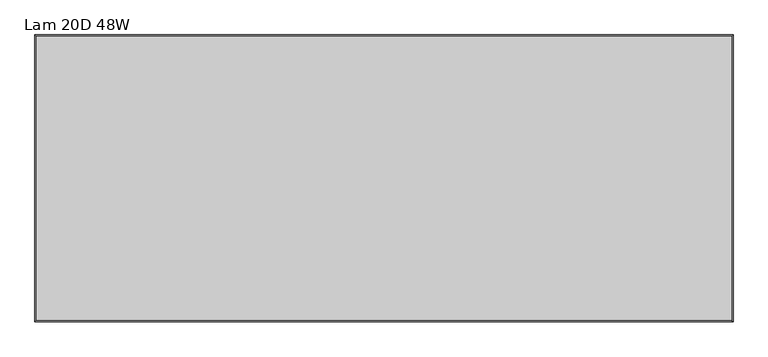
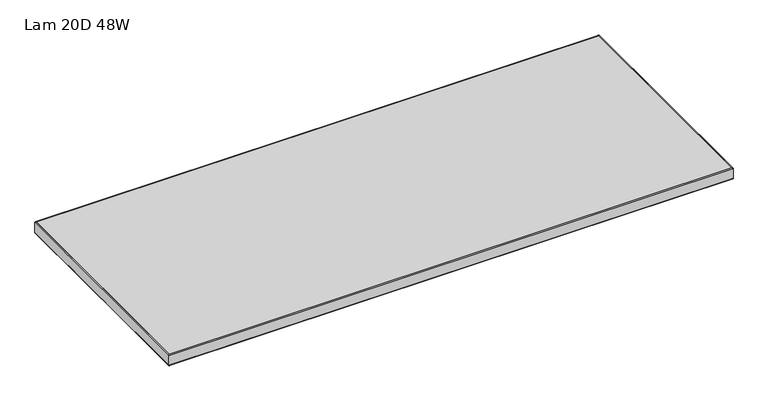
"""IFC4 building model written with IfcOpenShell, lengths in millimetres: furniture geometry, Lam 20D 48W."""

from ifc_helpers import new_model, si_unit, frame, origin, place, context, project, spatial, polyline, ellipse_curve, outline, extrude, source, transform, mapped, element, save
from ifc_brep_helpers import plane_surface, cylinder_surface, advanced_brep


def lam_20d_48w_39a46293(model_context):
    return source(origin(), model_context, "Body", "SolidModel", [
        advanced_brep(
        [(-604.8248, 197.0, 723.9), (-604.8248, 197.0, 698.5), (604.8248, 197.0, 698.5), (604.8248, 197.0, 723.9), (604.8248, -298.2718, 698.5), (604.8248, -298.2718, 723.9), (-604.8248, -298.2718, 698.5), (-604.8248, -298.2718, 723.9), (-606.425, 198.6002, 700.1002), (-606.425, 198.6002, 722.2998), (606.425, 198.6002, 722.2998), (606.425, 198.6002, 700.1002), (606.425, -299.872, 722.2998), (606.425, -299.872, 700.1002), (-606.425, -299.872, 722.2998), (-606.425, -299.872, 700.1002)],
        [
            (0, 1),
            (1, 2),
            (2, 3),
            (3, 0),
            (2, 4),
            (4, 5),
            (5, 3),
            (4, 6),
            (6, 7),
            (7, 5),
            (6, 1),
            (0, 7),
            (8, 9),
            (9, 10),
            (10, 11),
            (11, 8),
            (10, 12),
            (12, 13),
            (13, 11),
            (12, 14),
            (14, 15),
            (15, 13),
            (14, 9),
            (8, 15),
            (9, 0, ellipse_curve(frame((-604.8248, 197.0, 722.2998), z_axis=(0.7071067811865475, 0.7071067811865475, 0.0), x_axis=(-0.7071067811865476, 0.7071067811865474, 0.0)), 2.2630245, 1.6002)),
            (3, 10, ellipse_curve(frame((604.8248, 197.0, 722.2998), z_axis=(-0.7071067811865475, 0.7071067811865475, 0.0), x_axis=(-0.7071067811865476, -0.7071067811865474, 0.0)), 2.2630245, 1.6002)),
            (1, 8, ellipse_curve(frame((-604.8248, 197.0, 700.1002), z_axis=(0.7071067811865475, 0.7071067811865475, 0.0), x_axis=(-0.7071067811865476, 0.7071067811865474, 0.0)), 2.2630245, 1.6002)),
            (11, 2, ellipse_curve(frame((604.8248, 197.0, 700.1002), z_axis=(-0.7071067811865475, 0.7071067811865475, 0.0), x_axis=(-0.7071067811865476, -0.7071067811865474, 0.0)), 2.2630245, 1.6002)),
            (5, 12, ellipse_curve(frame((604.8248, -298.2718, 722.2998), z_axis=(0.7071067811865475, 0.7071067811865475, 0.0), x_axis=(-0.7071067811865474, 0.7071067811865476, 0.0)), 2.2630245, 1.6002)),
            (13, 4, ellipse_curve(frame((604.8248, -298.2718, 700.1002), z_axis=(0.7071067811865475, 0.7071067811865475, 0.0), x_axis=(-0.7071067811865474, 0.7071067811865476, 0.0)), 2.2630245, 1.6002)),
            (7, 14, ellipse_curve(frame((-604.8248, -298.2718, 722.2998), z_axis=(0.7071067811865475, -0.7071067811865475, 0.0), x_axis=(0.7071067811865476, 0.7071067811865474, 0.0)), 2.2630245, 1.6002)),
            (15, 6, ellipse_curve(frame((-604.8248, -298.2718, 700.1002), z_axis=(0.7071067811865475, -0.7071067811865475, 0.0), x_axis=(0.7071067811865476, 0.7071067811865474, 0.0)), 2.2630245, 1.6002)),
        ],
        [
            plane_surface(frame((-604.8248, 197.0, 698.5), z_axis=(0.0, -1.0, 0.0), x_axis=(1.0, 0.0, 0.0))),
            plane_surface(frame((604.8248, 197.0, 698.5), z_axis=(-1.0, 0.0, 0.0), x_axis=(0.0, -1.0, 0.0))),
            plane_surface(frame((604.8248, -298.2718, 698.5), z_axis=(0.0, 1.0, 0.0), x_axis=(-1.0, 0.0, 0.0))),
            plane_surface(frame((-604.8248, -298.2718, 698.5), z_axis=(1.0, 0.0, 0.0), x_axis=(0.0, 1.0, 0.0))),
            plane_surface(frame((-606.425, 198.6002, 722.2998), z_axis=(0.0, 1.0, 0.0), x_axis=(1.0, 0.0, 0.0))),
            plane_surface(frame((606.425, 198.6002, 722.2998), z_axis=(1.0, 0.0, 0.0), x_axis=(0.0, -1.0, 0.0))),
            plane_surface(frame((606.425, -299.872, 722.2998), z_axis=(0.0, -1.0, 0.0), x_axis=(-1.0, 0.0, 0.0))),
            plane_surface(frame((-606.425, -299.872, 722.2998), z_axis=(-1.0, 0.0, 0.0), x_axis=(0.0, 1.0, 0.0))),
            cylinder_surface(frame((-604.8248, 197.0, 722.2998), z_axis=(-1.0, 0.0, 0.0), x_axis=(0.0, -1.0, 0.0)), 1.6002),
            cylinder_surface(frame((-604.8248, 197.0, 700.1002), z_axis=(-1.0, 0.0, 0.0), x_axis=(0.0, -1.0, 0.0)), 1.6002),
            cylinder_surface(frame((604.8248, 197.0, 722.2998), z_axis=(0.0, 1.0, 0.0), x_axis=(-1.0, 0.0, 0.0)), 1.6002),
            cylinder_surface(frame((604.8248, 197.0, 700.1002), z_axis=(0.0, 1.0, 0.0), x_axis=(-1.0, 0.0, 0.0)), 1.6002),
            cylinder_surface(frame((604.8248, -298.2718, 722.2998), z_axis=(1.0, 0.0, 0.0), x_axis=(0.0, 1.0, 0.0)), 1.6002),
            cylinder_surface(frame((604.8248, -298.2718, 700.1002), z_axis=(1.0, 0.0, 0.0), x_axis=(0.0, 1.0, 0.0)), 1.6002),
            cylinder_surface(frame((-604.8248, -298.2718, 722.2998), z_axis=(0.0, -1.0, 0.0), x_axis=(1.0, 0.0, 0.0)), 1.6002),
            cylinder_surface(frame((-604.8248, -298.2718, 700.1002), z_axis=(0.0, -1.0, 0.0), x_axis=(1.0, 0.0, 0.0)), 1.6002),
        ],
        [
            (0, [[1, 2, 3, 4]]),
            (1, [[-3, 5, 6, 7]]),
            (2, [[-6, 8, 9, 10]]),
            (3, [[-9, 11, -1, 12]]),
            (4, [[13, 14, 15, 16]]),
            (5, [[-15, 17, 18, 19]]),
            (6, [[-18, 20, 21, 22]]),
            (7, [[-21, 23, -13, 24]]),
            (8, [[25, -4, 26, -14]]),
            (9, [[27, -16, 28, -2]]),
            (10, [[-26, -7, 29, -17]]),
            (11, [[-28, -19, 30, -5]]),
            (12, [[-29, -10, 31, -20]]),
            (13, [[-30, -22, 32, -8]]),
            (14, [[-31, -12, -25, -23]]),
            (15, [[-32, -24, -27, -11]]),
        ],
    ),
        extrude(outline(polyline([(604.8248, 197.0), (604.8248, -298.2718), (-604.8248, -298.2718), (-604.8248, 197.0), (604.8248, 197.0)])), frame((0.0, 0.0, 698.5), z_axis=(0.0, 0.0, 1.0), x_axis=(1.0, 0.0, 0.0)), (0.0, 0.0, 1.0), 25.4),
    ])


if __name__ == "__main__":
    model = new_model("IFC4")
    model_context = context("Model", 3, world=origin())
    ifc_project = project(units=[si_unit("LENGTHUNIT", "METRE", prefix="MILLI")], contexts=[model_context])
    site = spatial("IfcSite", under=ifc_project)
    building = spatial("IfcBuilding", under=site)
    placement = place(None, origin())
    lam_20d_48w_shape = lam_20d_48w_39a46293(model_context)
    element("IfcFurniture", 1, ObjectType="Lam 20D 48W", at=placement, inside=building, context=model_context, shape_type="MappedRepresentation", body=[
        mapped(lam_20d_48w_shape, transform((0.0, 0.0, 0.0), x_axis=(1.0, 0.0, 0.0), y_axis=(0.0, 1.0, 0.0), z_axis=(0.0, 0.0, 1.0))),
    ])
    save(model, "model.ifc")
